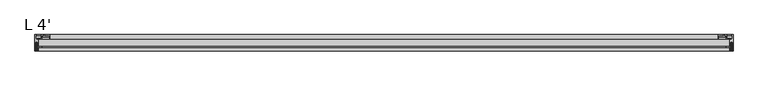
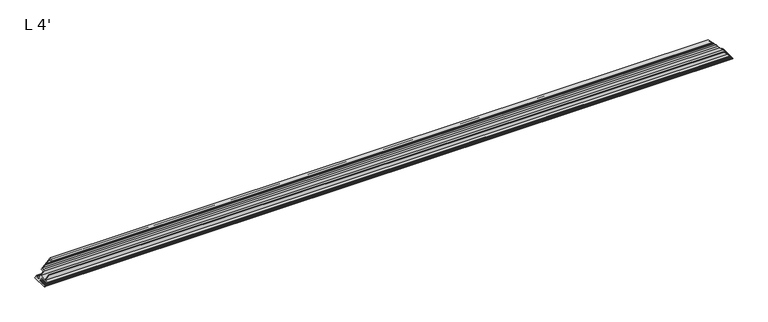
"""IFC4 building model written with IfcOpenShell, lengths in millimetres: proxy geometry, L 4'."""

from ifc_helpers import new_model, si_unit, frame, origin, place, context, project, spatial, polyline, ellipse_curve, source, transform, mapped, element, save
from ifc_brep_helpers import plane_surface, cylinder_surface, revolved_surface, advanced_brep


def l_4_7207d2d2(model_context):
    return source(origin(), model_context, "Body", "AdvancedBrep", [
        advanced_brep(
        [(1219.2, 0.0, 0.0), (0.0, 0.0, 0.0), (3.5038983, 0.0, 3.5038983), (1215.6961017, 0.0, 3.5038983), (1207.9083983, 0.0, 11.2916017), (11.2916017, 0.0, 11.2916017), (27.1666017, 0.0, 27.1666017), (1192.0333983, 0.0, 27.1666017), (27.1666017, -7.9375, 27.1666017), (1192.0333983, -7.9375, 27.1666017), (25.5791017, -7.9375, 25.5791017), (1193.6208983, -7.9375, 25.5791017), (25.5791017, -2.38252, 25.5791017), (1193.6208983, -2.38252, 25.5791017), (24.7840817, -1.5875, 24.7840817), (1194.4159183, -1.5875, 24.7840817), (20.3372213, -1.5875, 20.3372213), (1198.8627787, -1.5875, 20.3372213), (19.6240062, -1.2699562, 19.6240062), (1199.5759938, -1.2699562, 19.6240062), (18.8341971, -1.2699562, 18.8341971), (1200.3658029, -1.2699562, 18.8341971), (18.120982, -1.5875, 18.120982), (1201.079018, -1.5875, 18.120982), (14.9746017, -1.5875, 14.9746017), (1204.2253983, -1.5875, 14.9746017), (12.8791017, -3.683, 12.8791017), (1206.3208983, -3.683, 12.8791017), (12.8791017, -7.9375, 12.8791017), (1206.3208983, -7.9375, 12.8791017), (6.5291017, -7.9375, 6.5291017), (1212.6708983, -7.9375, 6.5291017), (6.5291017, -20.6375, 6.5291017), (1212.6708983, -20.6375, 6.5291017), (12.8791017, -20.6375, 12.8791017), (1206.3208983, -20.6375, 12.8791017), (12.8791017, -22.225, 12.8791017), (1206.3208983, -22.225, 12.8791017), (6.5291017, -22.225, 6.5291017), (1212.6708983, -22.225, 6.5291017), (6.5291017, -28.575, 6.5291017), (1212.6708983, -28.575, 6.5291017), (5.4093295, -28.575, 5.4093295), (1213.7906705, -28.575, 5.4093295), (5.0164997, -27.8945987, 5.0164997), (1214.1835003, -27.8945987, 5.0164997), (5.2704997, -27.0638022, 5.2704997), (1213.9295003, -27.0638022, 5.2704997), (5.0164997, -26.2330056, 5.0164997), (1214.1835003, -26.2330056, 5.0164997), (5.2704997, -25.402209, 5.2704997), (1213.9295003, -25.402209, 5.2704997), (5.0164997, -24.5714125, 5.0164997), (1214.1835003, -24.5714125, 5.0164997), (5.2704997, -23.7406159, 5.2704997), (1213.9295003, -23.7406159, 5.2704997), (5.0164997, -22.9098194, 5.0164997), (1214.1835003, -22.9098194, 5.0164997), (5.2704997, -22.0790228, 5.2704997), (1213.9295003, -22.0790228, 5.2704997), (5.0164997, -21.2482262, 5.0164997), (1214.1835003, -21.2482262, 5.0164997), (5.2704997, -20.4174297, 5.2704997), (1213.9295003, -20.4174297, 5.2704997), (5.0164997, -19.5866331, 5.0164997), (1214.1835003, -19.5866331, 5.0164997), (5.2704997, -18.7558365, 5.2704997), (1213.9295003, -18.7558365, 5.2704997), (5.0164997, -17.92504, 5.0164997), (1214.1835003, -17.92504, 5.0164997), (5.2704997, -17.0942434, 5.2704997), (1213.9295003, -17.0942434, 5.2704997), (5.0164997, -16.2634468, 5.0164997), (1214.1835003, -16.2634468, 5.0164997), (5.2704997, -15.4326503, 5.2704997), (1213.9295003, -15.4326503, 5.2704997), (5.0164997, -14.6018537, 5.0164997), (1214.1835003, -14.6018537, 5.0164997), (5.2704997, -13.7710571, 5.2704997), (1213.9295003, -13.7710571, 5.2704997), (4.8894997, -12.954, 4.8894997), (1214.3105003, -12.954, 4.8894997), (1.9685003, -12.954, 1.9685003), (1217.2314997, -12.954, 1.9685003), (1.5875003, -13.7710571, 1.5875003), (1217.6124997, -13.7710571, 1.5875003), (1.8415003, -14.6018537, 1.8415003), (1217.3584997, -14.6018537, 1.8415003), (1.5875003, -15.4326503, 1.5875003), (1217.6124997, -15.4326503, 1.5875003), (1.8415003, -16.2634468, 1.8415003), (1217.3584997, -16.2634468, 1.8415003), (1.5875003, -17.0942434, 1.5875003), (1217.6124997, -17.0942434, 1.5875003), (1.8415003, -17.92504, 1.8415003), (1217.3584997, -17.92504, 1.8415003), (1.5875003, -18.7558365, 1.5875003), (1217.6124997, -18.7558365, 1.5875003), (1.8415003, -19.5866331, 1.8415003), (1217.3584997, -19.5866331, 1.8415003), (1.5875003, -20.4174297, 1.5875003), (1217.6124997, -20.4174297, 1.5875003), (1.8415003, -21.2482262, 1.8415003), (1217.3584997, -21.2482262, 1.8415003), (1.5875003, -22.0790228, 1.5875003), (1217.6124997, -22.0790228, 1.5875003), (1.8415003, -22.9098194, 1.8415003), (1217.3584997, -22.9098194, 1.8415003), (1.5875003, -23.7406159, 1.5875003), (1217.6124997, -23.7406159, 1.5875003), (1.8415003, -24.5714125, 1.8415003), (1217.3584997, -24.5714125, 1.8415003), (1.5875003, -25.402209, 1.5875003), (1217.6124997, -25.402209, 1.5875003), (1.8415003, -26.2330056, 1.8415003), (1217.3584997, -26.2330056, 1.8415003), (1.5875003, -27.0638022, 1.5875003), (1217.6124997, -27.0638022, 1.5875003), (1.8415003, -27.8945987, 1.8415003), (1217.3584997, -27.8945987, 1.8415003), (1.4486704, -28.575, 1.4486704), (1217.7513296, -28.575, 1.4486704), (0.6264713, -28.575, 0.6264713), (1218.5735287, -28.575, 0.6264713), (0.0, -27.9485287, 0.0), (1219.2, -27.9485287, 0.0), (3.5038983, -1.5875, 3.5038983), (1215.6961017, -1.5875, 3.5038983), (1.9163983, -1.5875, 1.9163983), (1217.2836017, -1.5875, 1.9163983), (1.9163983, -6.35, 1.9163983), (1217.2836017, -6.35, 1.9163983), (4.9416017, -6.35, 4.9416017), (1214.2583983, -6.35, 4.9416017), (11.2916017, -6.35, 11.2916017), (1207.9083983, -6.35, 11.2916017)],
        [
            (0, 1),
            (1, 2),
            (2, 3),
            (3, 0),
            (4, 5),
            (5, 6),
            (6, 7),
            (7, 4),
            (6, 8),
            (8, 9),
            (9, 7),
            (8, 10),
            (10, 11),
            (11, 9),
            (10, 12),
            (12, 13),
            (13, 11),
            (12, 14, ellipse_curve(frame((24.7840817, -2.38252, 24.7840817), z_axis=(-0.707106781186547, 0.0, 0.707106781186548), x_axis=(-0.707106781186548, 0.0, -0.707106781186547)), 1.1243281, 0.79502)),
            (14, 15),
            (15, 13, ellipse_curve(frame((1194.4159183, -2.38252, 24.7840817), z_axis=(0.7071067811865464, 0.0, 0.7071067811865488), x_axis=(-0.7071067811865486, 0.0, 0.7071067811865464)), 1.1243281, 0.79502)),
            (14, 16),
            (16, 17),
            (17, 15),
            (16, 18),
            (18, 19),
            (19, 17),
            (18, 20),
            (20, 21),
            (21, 19),
            (20, 22),
            (22, 23),
            (23, 21),
            (22, 24),
            (24, 25),
            (25, 23),
            (24, 26, ellipse_curve(frame((14.9746017, -3.683, 14.9746017), z_axis=(-0.707106781186547, 0.0, 0.707106781186548), x_axis=(-0.707106781186548, 0.0, -0.707106781186547)), 2.9634845, 2.0955)),
            (26, 27),
            (27, 25, ellipse_curve(frame((1204.2253983, -3.683, 14.9746017), z_axis=(0.7071067811865464, 0.0, 0.7071067811865488), x_axis=(-0.7071067811865486, 0.0, 0.7071067811865464)), 2.9634845, 2.0955)),
            (26, 28),
            (28, 29),
            (29, 27),
            (28, 30),
            (30, 31),
            (31, 29),
            (30, 32),
            (32, 33),
            (33, 31),
            (32, 34),
            (34, 35),
            (35, 33),
            (34, 36),
            (36, 37),
            (37, 35),
            (36, 38),
            (38, 39),
            (39, 37),
            (38, 40),
            (40, 41),
            (41, 39),
            (40, 42),
            (42, 43),
            (43, 41),
            (42, 44),
            (44, 45),
            (45, 43),
            (44, 46),
            (46, 47),
            (47, 45),
            (46, 48),
            (48, 49),
            (49, 47),
            (48, 50),
            (50, 51),
            (51, 49),
            (50, 52),
            (52, 53),
            (53, 51),
            (52, 54),
            (54, 55),
            (55, 53),
            (54, 56),
            (56, 57),
            (57, 55),
            (56, 58),
            (58, 59),
            (59, 57),
            (58, 60),
            (60, 61),
            (61, 59),
            (60, 62),
            (62, 63),
            (63, 61),
            (62, 64),
            (64, 65),
            (65, 63),
            (64, 66),
            (66, 67),
            (67, 65),
            (66, 68),
            (68, 69),
            (69, 67),
            (68, 70),
            (70, 71),
            (71, 69),
            (70, 72),
            (72, 73),
            (73, 71),
            (72, 74),
            (74, 75),
            (75, 73),
            (74, 76),
            (76, 77),
            (77, 75),
            (76, 78),
            (78, 79),
            (79, 77),
            (78, 80),
            (80, 81),
            (81, 79),
            (80, 82),
            (82, 83),
            (83, 81),
            (82, 84),
            (84, 85),
            (85, 83),
            (84, 86),
            (86, 87),
            (87, 85),
            (86, 88),
            (88, 89),
            (89, 87),
            (88, 90),
            (90, 91),
            (91, 89),
            (90, 92),
            (92, 93),
            (93, 91),
            (92, 94),
            (94, 95),
            (95, 93),
            (94, 96),
            (96, 97),
            (97, 95),
            (96, 98),
            (98, 99),
            (99, 97),
            (98, 100),
            (100, 101),
            (101, 99),
            (100, 102),
            (102, 103),
            (103, 101),
            (102, 104),
            (104, 105),
            (105, 103),
            (104, 106),
            (106, 107),
            (107, 105),
            (106, 108),
            (108, 109),
            (109, 107),
            (108, 110),
            (110, 111),
            (111, 109),
            (110, 112),
            (112, 113),
            (113, 111),
            (112, 114),
            (114, 115),
            (115, 113),
            (114, 116),
            (116, 117),
            (117, 115),
            (116, 118),
            (118, 119),
            (119, 117),
            (118, 120),
            (120, 121),
            (121, 119),
            (120, 122),
            (122, 123),
            (123, 121),
            (124, 125),
            (125, 123, ellipse_curve(frame((1218.5735287, -27.9485287, 0.6264713), z_axis=(-0.7071067811865464, 0.0, -0.7071067811865488), x_axis=(0.7071067811865486, 0.0, -0.7071067811865464)), 0.8859643, 0.6264713)),
            (122, 124, ellipse_curve(frame((0.6264713, -27.9485287, 0.6264713), z_axis=(0.707106781186547, 0.0, -0.707106781186548), x_axis=(0.707106781186548, 0.0, 0.707106781186547)), 0.8859643, 0.6264713)),
            (0, 125),
            (124, 1),
            (2, 126),
            (126, 127),
            (127, 3),
            (126, 128),
            (128, 129),
            (129, 127),
            (128, 130),
            (130, 131),
            (131, 129),
            (130, 132, ellipse_curve(frame((3.429, -5.8024479, 3.429), z_axis=(-0.707106781186547, 0.0, 0.707106781186548), x_axis=(-0.707106781186548, 0.0, -0.707106781186547)), 2.2749845, 1.6086569)),
            (132, 133),
            (133, 131, ellipse_curve(frame((1215.771, -5.8024479, 3.429), z_axis=(0.7071067811865464, 0.0, 0.7071067811865488), x_axis=(-0.7071067811865486, 0.0, 0.7071067811865464)), 2.2749845, 1.6086569)),
            (132, 134),
            (134, 135),
            (135, 133),
            (4, 135),
            (134, 5),
        ],
        [
            plane_surface(frame((1219.2, 0.0, 0.0), z_axis=(0.0, 1.0, 0.0), x_axis=(-1.0, 0.0, 0.0))),
            plane_surface(frame((1219.2, 0.0, 11.2916017), z_axis=(0.0, 1.0, 0.0), x_axis=(-1.0, 0.0, 0.0))),
            plane_surface(frame((1219.2, 0.0, 27.1666017), z_axis=(0.0, 0.0, 1.0), x_axis=(-1.0, 0.0, 0.0))),
            plane_surface(frame((1219.2, -7.9375, 27.1666017), z_axis=(0.0, -1.0, 0.0), x_axis=(-1.0, 0.0, 0.0))),
            plane_surface(frame((1219.2, -7.9375, 25.5791017), z_axis=(0.0, 0.0, -1.0), x_axis=(-1.0, 0.0, 0.0))),
            revolved_surface(polyline([(23.989061676211413, -1.5875, 24.7840817), (1195.2109383237885, -1.5875, 24.7840817)]), (0.0, -2.38252, 24.7840817), (-1.0, 0.0, 0.0)),
            plane_surface(frame((1219.2, -1.5875, 24.7840817), z_axis=(0.0, -1.0, 0.0), x_axis=(-1.0, 0.0, 0.0))),
            plane_surface(frame((1219.2, -1.5875, 20.3372213), z_axis=(0.0, -0.9135454576426028, -0.40673664307579616), x_axis=(-1.0, 0.0, 0.0))),
            plane_surface(frame((1219.2, -1.2699562, 19.6240062), z_axis=(0.0, -1.0, 0.0), x_axis=(-1.0, 0.0, 0.0))),
            plane_surface(frame((1219.2, -1.2699562, 18.8341971), z_axis=(0.0, -0.9135454576426001, 0.4067366430758022), x_axis=(-1.0, 0.0, 0.0))),
            plane_surface(frame((1219.2, -1.5875, 18.120982), z_axis=(0.0, -1.0, 0.0), x_axis=(-1.0, 0.0, 0.0))),
            revolved_surface(polyline([(12.8791017, -1.5875, 14.9746017), (1206.3208983, -1.5875, 14.9746017)]), (0.0, -3.683, 14.9746017), (-1.0, 0.0, 0.0)),
            plane_surface(frame((1219.2, -3.683, 12.8791017), z_axis=(0.0, 0.0, 1.0), x_axis=(-1.0, 0.0, 0.0))),
            plane_surface(frame((1219.2, -7.9375, 12.8791017), z_axis=(0.0, -1.0, 0.0), x_axis=(-1.0, 0.0, 0.0))),
            plane_surface(frame((1219.2, -7.9375, 6.5291017), z_axis=(0.0, 0.0, 1.0), x_axis=(-1.0, 0.0, 0.0))),
            plane_surface(frame((1219.2, -20.6375, 6.5291017), z_axis=(0.0, 1.0, 0.0), x_axis=(-1.0, 0.0, 0.0))),
            plane_surface(frame((1219.2, -20.6375, 12.8791017), z_axis=(0.0, 0.0, 1.0), x_axis=(-1.0, 0.0, 0.0))),
            plane_surface(frame((1219.2, -22.225, 12.8791017), z_axis=(0.0, -1.0, 0.0), x_axis=(-1.0, 0.0, 0.0))),
            plane_surface(frame((1219.2, -22.225, 6.5291017), z_axis=(0.0, 0.0, 1.0), x_axis=(-1.0, 0.0, 0.0))),
            plane_surface(frame((1219.2, -28.575, 6.5291017), z_axis=(0.0, -1.0, 0.0), x_axis=(-1.0, 0.0, 0.0))),
            plane_surface(frame((1219.2, -28.575, 5.4093295), z_axis=(0.0, -0.49999999999999883, -0.8660254037844395), x_axis=(-1.0, 0.0, 0.0))),
            plane_surface(frame((1219.2, -27.8945987, 5.0164997), z_axis=(0.0, 0.292371704722743, -0.9563047559630337), x_axis=(-1.0, 0.0, 0.0))),
            plane_surface(frame((1219.2, -27.0638022, 5.2704997), z_axis=(0.0, -0.29237170472275653, -0.9563047559630294), x_axis=(-1.0, 0.0, 0.0))),
            plane_surface(frame((1219.2, -26.2330056, 5.0164997), z_axis=(0.0, 0.2923717047227375, -0.9563047559630353), x_axis=(-1.0, 0.0, 0.0))),
            plane_surface(frame((1219.2, -25.402209, 5.2704997), z_axis=(0.0, -0.2923717047227568, -0.9563047559630294), x_axis=(-1.0, 0.0, 0.0))),
            plane_surface(frame((1219.2, -24.5714125, 5.0164997), z_axis=(0.0, 0.29237170472274043, -0.9563047559630344), x_axis=(-1.0, 0.0, 0.0))),
            plane_surface(frame((1219.2, -23.7406159, 5.2704997), z_axis=(0.0, -0.2923717047227568, -0.9563047559630294), x_axis=(-1.0, 0.0, 0.0))),
            plane_surface(frame((1219.2, -22.9098194, 5.0164997), z_axis=(0.0, 0.2923717047227323, -0.9563047559630369), x_axis=(-1.0, 0.0, 0.0))),
            plane_surface(frame((1219.2, -22.0790228, 5.2704997), z_axis=(0.0, -0.29237170472275276, -0.9563047559630307), x_axis=(-1.0, 0.0, 0.0))),
            plane_surface(frame((1219.2, -21.2482262, 5.0164997), z_axis=(0.0, 0.29237170472273366, -0.9563047559630364), x_axis=(-1.0, 0.0, 0.0))),
            plane_surface(frame((1219.2, -20.4174297, 5.2704997), z_axis=(0.0, -0.2923717047227458, -0.9563047559630328), x_axis=(-1.0, 0.0, 0.0))),
            plane_surface(frame((1219.2, -19.5866331, 5.0164997), z_axis=(0.0, 0.2923717047227349, -0.9563047559630361), x_axis=(-1.0, 0.0, 0.0))),
            plane_surface(frame((1219.2, -18.7558365, 5.2704997), z_axis=(0.0, -0.29237170472273855, -0.956304755963035), x_axis=(-1.0, 0.0, 0.0))),
            plane_surface(frame((1219.2, -17.92504, 5.0164997), z_axis=(0.0, 0.29237170472273444, -0.9563047559630362), x_axis=(-1.0, 0.0, 0.0))),
            plane_surface(frame((1219.2, -17.0942434, 5.2704997), z_axis=(0.0, -0.29237170472273855, -0.956304755963035), x_axis=(-1.0, 0.0, 0.0))),
            plane_surface(frame((1219.2, -16.2634468, 5.0164997), z_axis=(0.0, 0.29237170472273444, -0.9563047559630362), x_axis=(-1.0, 0.0, 0.0))),
            plane_surface(frame((1219.2, -15.4326503, 5.2704997), z_axis=(0.0, -0.29237170472273927, -0.9563047559630348), x_axis=(-1.0, 0.0, 0.0))),
            plane_surface(frame((1219.2, -14.6018537, 5.0164997), z_axis=(0.0, 0.29237170472273377, -0.9563047559630364), x_axis=(-1.0, 0.0, 0.0))),
            plane_surface(frame((1219.2, -13.7710571, 5.2704997), z_axis=(0.0, -0.4226182617407002, -0.9063077870366496), x_axis=(-1.0, 0.0, 0.0))),
            plane_surface(frame((1219.2, -12.954, 4.8894997), z_axis=(0.0, -1.0, 0.0), x_axis=(-1.0, 0.0, 0.0))),
            plane_surface(frame((1219.2, -12.954, 1.9685003), z_axis=(0.0, -0.42261826174069367, 0.9063077870366527), x_axis=(-1.0, 0.0, 0.0))),
            plane_surface(frame((1219.2, -13.7710571, 1.5875003), z_axis=(0.0, 0.2923717047227407, 0.9563047559630343), x_axis=(-1.0, 0.0, 0.0))),
            plane_surface(frame((1219.2, -14.6018537, 1.8415003), z_axis=(0.0, -0.2923717047227326, 0.9563047559630368), x_axis=(-1.0, 0.0, 0.0))),
            plane_surface(frame((1219.2, -15.4326503, 1.5875003), z_axis=(0.0, 0.29237170472274243, 0.9563047559630338), x_axis=(-1.0, 0.0, 0.0))),
            plane_surface(frame((1219.2, -16.2634468, 1.8415003), z_axis=(0.0, -0.2923717047227328, 0.9563047559630367), x_axis=(-1.0, 0.0, 0.0))),
            plane_surface(frame((1219.2, -17.0942434, 1.5875003), z_axis=(0.0, 0.29237170472274243, 0.9563047559630338), x_axis=(-1.0, 0.0, 0.0))),
            plane_surface(frame((1219.2, -17.92504, 1.8415003), z_axis=(0.0, -0.29237170472273283, 0.9563047559630367), x_axis=(-1.0, 0.0, 0.0))),
            plane_surface(frame((1219.2, -18.7558365, 1.5875003), z_axis=(0.0, 0.29237170472274115, 0.9563047559630341), x_axis=(-1.0, 0.0, 0.0))),
            plane_surface(frame((1219.2, -19.5866331, 1.8415003), z_axis=(0.0, -0.2923717047227396, 0.9563047559630347), x_axis=(-1.0, 0.0, 0.0))),
            plane_surface(frame((1219.2, -20.4174297, 1.5875003), z_axis=(0.0, 0.29237170472274016, 0.9563047559630344), x_axis=(-1.0, 0.0, 0.0))),
            plane_surface(frame((1219.2, -21.2482262, 1.8415003), z_axis=(0.0, -0.29237170472274404, 0.9563047559630333), x_axis=(-1.0, 0.0, 0.0))),
            plane_surface(frame((1219.2, -22.0790228, 1.5875003), z_axis=(0.0, 0.2923717047227374, 0.9563047559630353), x_axis=(-1.0, 0.0, 0.0))),
            plane_surface(frame((1219.2, -22.9098194, 1.8415003), z_axis=(0.0, -0.29237170472275104, 0.9563047559630311), x_axis=(-1.0, 0.0, 0.0))),
            plane_surface(frame((1219.2, -23.7406159, 1.5875003), z_axis=(0.0, 0.2923717047227472, 0.9563047559630323), x_axis=(-1.0, 0.0, 0.0))),
            plane_surface(frame((1219.2, -24.5714125, 1.8415003), z_axis=(0.0, -0.29237170472275115, 0.9563047559630311), x_axis=(-1.0, 0.0, 0.0))),
            plane_surface(frame((1219.2, -25.402209, 1.5875003), z_axis=(0.0, 0.292371704722743, 0.9563047559630337), x_axis=(-1.0, 0.0, 0.0))),
            plane_surface(frame((1219.2, -26.2330056, 1.8415003), z_axis=(0.0, -0.2923717047227498, 0.9563047559630315), x_axis=(-1.0, 0.0, 0.0))),
            plane_surface(frame((1219.2, -27.0638022, 1.5875003), z_axis=(0.0, 0.29237170472274965, 0.9563047559630315), x_axis=(-1.0, 0.0, 0.0))),
            plane_surface(frame((1219.2, -27.8945987, 1.8415003), z_axis=(0.0, -0.4999999999999928, 0.8660254037844428), x_axis=(-1.0, 0.0, 0.0))),
            plane_surface(frame((1219.2, -28.575, 1.4486704), z_axis=(0.0, -1.0, 0.0), x_axis=(-1.0, 0.0, 0.0))),
            cylinder_surface(frame((0.0, -27.9485287, 0.6264713), z_axis=(1.0, 0.0, 0.0), x_axis=(0.0, 1.0, 0.0)), 0.6264713),
            plane_surface(frame((1219.2, -27.9485287, 0.0), z_axis=(0.0, 0.0, -1.0), x_axis=(-1.0, 0.0, 0.0))),
            plane_surface(frame((1219.2, 0.0, 3.5038983), z_axis=(0.0, 0.0, 1.0), x_axis=(-1.0, 0.0, 0.0))),
            plane_surface(frame((1219.2, -1.5875, 3.5038983), z_axis=(0.0, -1.0, 0.0), x_axis=(-1.0, 0.0, 0.0))),
            plane_surface(frame((1219.2, -1.5875, 1.9163983), z_axis=(0.0, 0.0, 1.0), x_axis=(-1.0, 0.0, 0.0))),
            revolved_surface(polyline([(1.8203430329557115, -4.193791, 3.429), (1217.3796569670442, -4.193791, 3.429)]), (0.0, -5.8024479, 3.429), (-1.0, 0.0, 0.0)),
            plane_surface(frame((1219.2, -6.35, 4.9416017), z_axis=(0.0, 1.0, 0.0), x_axis=(-1.0, 0.0, 0.0))),
            plane_surface(frame((1219.2, -6.35, 11.2916017), z_axis=(0.0, 0.0, -1.0), x_axis=(-1.0, 0.0, 0.0))),
            plane_surface(frame((1192.0333983, -36.9443148, 27.1666017), z_axis=(0.7071067811865464, 0.0, 0.7071067811865488), x_axis=(0.0, 1.0, 0.0))),
            plane_surface(frame((0.0, -36.9443148, 0.0), z_axis=(-0.707106781186547, 0.0, 0.707106781186548), x_axis=(0.0, 1.0, 0.0))),
        ],
        [
            (0, [[1, 2, 3, 4]]),
            (1, [[5, 6, 7, 8]]),
            (2, [[-7, 9, 10, 11]]),
            (3, [[-10, 12, 13, 14]]),
            (4, [[-13, 15, 16, 17]]),
            (5, [[-16, 18, 19, 20]]),
            (6, [[-19, 21, 22, 23]]),
            (7, [[-22, 24, 25, 26]]),
            (8, [[-25, 27, 28, 29]]),
            (9, [[-28, 30, 31, 32]]),
            (10, [[-31, 33, 34, 35]]),
            (11, [[-34, 36, 37, 38]]),
            (12, [[-37, 39, 40, 41]]),
            (13, [[-40, 42, 43, 44]]),
            (14, [[-43, 45, 46, 47]]),
            (15, [[-46, 48, 49, 50]]),
            (16, [[-49, 51, 52, 53]]),
            (17, [[-52, 54, 55, 56]]),
            (18, [[-55, 57, 58, 59]]),
            (19, [[-58, 60, 61, 62]]),
            (20, [[-61, 63, 64, 65]]),
            (21, [[-64, 66, 67, 68]]),
            (22, [[-67, 69, 70, 71]]),
            (23, [[-70, 72, 73, 74]]),
            (24, [[-73, 75, 76, 77]]),
            (25, [[-76, 78, 79, 80]]),
            (26, [[-79, 81, 82, 83]]),
            (27, [[-82, 84, 85, 86]]),
            (28, [[-85, 87, 88, 89]]),
            (29, [[-88, 90, 91, 92]]),
            (30, [[-91, 93, 94, 95]]),
            (31, [[-94, 96, 97, 98]]),
            (32, [[-97, 99, 100, 101]]),
            (33, [[-100, 102, 103, 104]]),
            (34, [[-103, 105, 106, 107]]),
            (35, [[-106, 108, 109, 110]]),
            (36, [[-109, 111, 112, 113]]),
            (37, [[-112, 114, 115, 116]]),
            (38, [[-115, 117, 118, 119]]),
            (39, [[-118, 120, 121, 122]]),
            (40, [[-121, 123, 124, 125]]),
            (41, [[-124, 126, 127, 128]]),
            (42, [[-127, 129, 130, 131]]),
            (43, [[-130, 132, 133, 134]]),
            (44, [[-133, 135, 136, 137]]),
            (45, [[-136, 138, 139, 140]]),
            (46, [[-139, 141, 142, 143]]),
            (47, [[-142, 144, 145, 146]]),
            (48, [[-145, 147, 148, 149]]),
            (49, [[-148, 150, 151, 152]]),
            (50, [[-151, 153, 154, 155]]),
            (51, [[-154, 156, 157, 158]]),
            (52, [[-157, 159, 160, 161]]),
            (53, [[-160, 162, 163, 164]]),
            (54, [[-163, 165, 166, 167]]),
            (55, [[-166, 168, 169, 170]]),
            (56, [[-169, 171, 172, 173]]),
            (57, [[-172, 174, 175, 176]]),
            (58, [[-175, 177, 178, 179]]),
            (59, [[-178, 180, 181, 182]]),
            (60, [[183, 184, -181, 185]]),
            (61, [[-1, 186, -183, 187]]),
            (62, [[-3, 188, 189, 190]]),
            (63, [[-189, 191, 192, 193]]),
            (64, [[-192, 194, 195, 196]]),
            (65, [[-195, 197, 198, 199]]),
            (66, [[-198, 200, 201, 202]]),
            (67, [[-5, 203, -201, 204]]),
            (68, [[-4, -190, -193, -196, -199, -202, -203, -8, -11, -14, -17, -20, -23, -26, -29, -32, -35, -38, -41, -44, -47, -50, -53, -56, -59, -62, -65, -68, -71, -74, -77, -80, -83, -86, -89, -92, -95, -98, -101, -104, -107, -110, -113, -116, -119, -122, -125, -128, -131, -134, -137, -140, -143, -146, -149, -152, -155, -158, -161, -164, -167, -170, -173, -176, -179, -182, -184, -186]]),
            (69, [[-2, -187, -185, -180, -177, -174, -171, -168, -165, -162, -159, -156, -153, -150, -147, -144, -141, -138, -135, -132, -129, -126, -123, -120, -117, -114, -111, -108, -105, -102, -99, -96, -93, -90, -87, -84, -81, -78, -75, -72, -69, -66, -63, -60, -57, -54, -51, -48, -45, -42, -39, -36, -33, -30, -27, -24, -21, -18, -15, -12, -9, -6, -204, -200, -197, -194, -191, -188]]),
        ],
    ),
    ])


if __name__ == "__main__":
    model = new_model("IFC4")
    model_context = context("Model", 3, world=origin())
    ifc_project = project(units=[si_unit("LENGTHUNIT", "METRE", prefix="MILLI")], contexts=[model_context])
    site = spatial("IfcSite", under=ifc_project)
    building = spatial("IfcBuilding", under=site)
    placement = place(None, origin())
    l_4_shape = l_4_7207d2d2(model_context)
    element("IfcBuildingElementProxy", 1, Name="L 4'", ObjectType="L 4'", at=placement, inside=building, context=model_context, shape_type="MappedRepresentation", body=[
        mapped(l_4_shape, transform((0.0, 0.0, 0.0), x_axis=(1.0, 0.0, 0.0), y_axis=(0.0, 1.0, 0.0), z_axis=(0.0, 0.0, 1.0))),
    ])
    save(model, "model.ifc")
